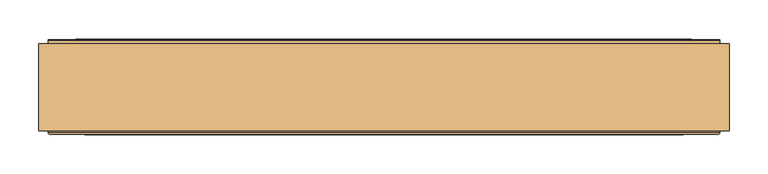
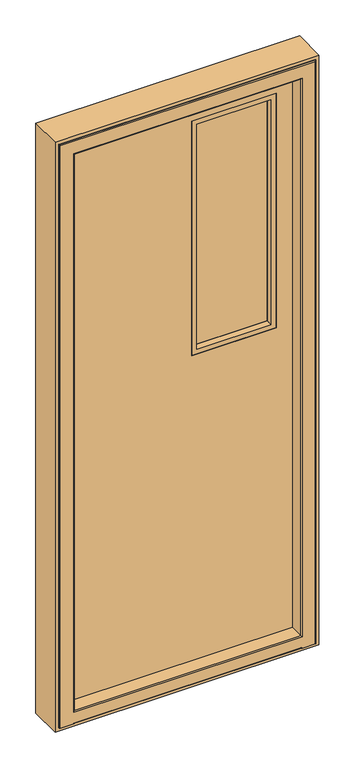
"""IFC4 building model written with IfcOpenShell, lengths in millimetres: door geometry."""

from ifc_helpers import new_model, si_unit, frame, origin, place, context, project, spatial, polyline, circle_curve, ellipse_curve, outline, extrude, faceted_brep, source, transform, mapped, element, save
from ifc_brep_helpers import plane_surface, cylinder_surface, revolved_surface, advanced_brep


def door_e9ea1662(model_context):
    return source(origin(), model_context, "Body", "SolidModel", [
        advanced_brep(
        [(-378.3629068, 119.0, 60.6370932), (378.3629068, 119.0, 60.6370932), (378.3629068, 119.0, 2034.3629068), (-378.3629068, 119.0, 2034.3629068), (39.9945356, 119.0, 1980.0054644), (324.0054644, 119.0, 1980.0054644), (324.0054644, 119.0, 1145.9945356), (39.9945356, 119.0, 1145.9945356), (-378.5618051, 119.6559897, 60.4381949), (378.5618051, 119.6559897, 60.4381949), (378.5618051, 119.6559897, 2034.5618051), (-378.5618051, 119.6559897, 2034.5618051), (324.0054644, 141.0, 1980.0054644), (324.0054644, 141.0, 1145.9945356), (39.9945356, 141.0, 1145.9945356), (39.9945356, 141.0, 1980.0054644), (396.2309509, 194.0, 42.7690491), (-396.2309509, 194.0, 42.7690491), (-396.2309509, 194.0, 2052.2309509), (396.2309509, 194.0, 2052.2309509), (57.0, 194.0, 1963.0), (57.0, 194.0, 1163.0), (307.0, 194.0, 1163.0), (307.0, 194.0, 1963.0), (396.2309509, 192.8997284, 42.7690491), (-396.2309509, 192.8997284, 42.7690491), (-396.2309509, 192.8997284, 2052.2309509), (396.2309509, 192.8997284, 2052.2309509), (57.0, 141.0, 1963.0), (57.0, 141.0, 1163.0), (307.0, 141.0, 1163.0), (307.0, 141.0, 1963.0), (-398.2309509, 190.8997284, 40.7690491), (398.2309509, 190.8997284, 40.7690491), (398.2309509, 187.3997284, 40.7690491), (-398.2309509, 187.3997284, 40.7690491), (-398.2309509, 190.8997284, 2054.2309509), (398.2309509, 190.8997284, 2054.2309509), (398.2309509, 187.3997284, 2054.2309509), (404.4668953, 187.3997284, 34.5331047), (-404.4668953, 187.3997284, 34.5331047), (-404.4668953, 187.3997284, 2060.4668953), (404.4668953, 187.3997284, 2060.4668953), (-398.2309509, 187.3997284, 2054.2309509), (-395.502163, 182.7141527, 43.497837), (395.502163, 182.7141527, 43.497837), (392.0, 178.685375, 47.0), (-392.0, 178.685375, 47.0), (-395.502163, 185.8085243, 43.497837), (395.502163, 185.8085243, 43.497837), (-395.502163, 182.7141527, 2051.502163), (-395.502163, 185.8085243, 2051.502163), (-404.4668953, 185.8085243, 34.5331047), (404.4668953, 185.8085243, 34.5331047), (404.4668953, 185.8085243, 2060.4668953), (-404.4668953, 185.8085243, 2060.4668953), (395.502163, 185.8085243, 2051.502163), (395.502163, 182.7141527, 2051.502163), (392.0, 178.685375, 2048.0), (392.0, 135.8997284, 47.0), (-392.0, 135.8997284, 47.0), (-392.0, 178.685375, 2048.0), (392.0, 135.8997284, 2048.0), (-392.0, 135.8997284, 2048.0), (380.5562854, 135.8997284, 58.4437146), (-380.5562854, 135.8997284, 58.4437146), (-380.5562854, 135.8997284, 2036.5562854), (380.5562854, 135.8997284, 2036.5562854)],
        [
            (0, 1),
            (1, 2),
            (2, 3),
            (3, 0),
            (4, 5),
            (5, 6),
            (6, 7),
            (7, 4),
            (8, 9),
            (9, 1, ellipse_curve(frame((376.5767128, 119.8997284, 62.4232872), z_axis=(-0.7071067811865475, 0.0, -0.7071067811865475), x_axis=(-0.7071067811865476, 0.0, 0.7071067811865474)), 2.8284271, 2.0)),
            (0, 8, ellipse_curve(frame((-376.5767128, 119.8997284, 62.4232872), z_axis=(0.7071067811865475, 0.0, -0.7071067811865475), x_axis=(-0.7071067811865476, 0.0, -0.7071067811865474)), 2.8284271, 2.0)),
            (9, 10),
            (10, 2, ellipse_curve(frame((376.5767128, 119.8997284, 2032.5767128), z_axis=(0.7071067811865475, 0.0, -0.7071067811865475), x_axis=(-0.7071067811865474, 0.0, -0.7071067811865476)), 2.8284271, 2.0)),
            (11, 8),
            (3, 11, ellipse_curve(frame((-376.5767128, 119.8997284, 2032.5767128), z_axis=(-0.7071067811865475, 0.0, -0.7071067811865475), x_axis=(-0.7071067811865474, 0.0, 0.7071067811865476)), 2.8284271, 2.0)),
            (12, 13),
            (13, 6),
            (5, 12),
            (13, 14),
            (14, 7),
            (14, 15),
            (15, 4),
            (16, 17),
            (17, 18),
            (18, 19),
            (19, 16),
            (20, 21),
            (21, 22),
            (22, 23),
            (23, 20),
            (24, 25),
            (25, 17),
            (16, 24),
            (25, 26),
            (26, 18),
            (27, 24),
            (19, 27),
            (20, 28),
            (28, 29),
            (29, 21),
            (29, 30),
            (30, 22),
            (30, 31),
            (31, 23),
            (32, 33),
            (33, 34),
            (34, 35),
            (35, 32),
            (32, 25, ellipse_curve(frame((-396.2309509, 190.8997284, 42.7690491), z_axis=(0.7071067811865475, 0.0, -0.7071067811865475), x_axis=(-0.7071067811865476, 0.0, -0.7071067811865474)), 2.8284271, 2.0)),
            (24, 33, ellipse_curve(frame((396.2309509, 190.8997284, 42.7690491), z_axis=(-0.7071067811865475, 0.0, -0.7071067811865475), x_axis=(-0.7071067811865476, 0.0, 0.7071067811865474)), 2.8284271, 2.0)),
            (32, 36),
            (36, 26, ellipse_curve(frame((-396.2309509, 190.8997284, 2052.2309509), z_axis=(-0.7071067811865475, 0.0, -0.7071067811865475), x_axis=(-0.7071067811865474, 0.0, 0.7071067811865476)), 2.8284271, 2.0)),
            (27, 37, ellipse_curve(frame((396.2309509, 190.8997284, 2052.2309509), z_axis=(0.7071067811865475, 0.0, -0.7071067811865475), x_axis=(-0.7071067811865474, 0.0, -0.7071067811865476)), 2.8284271, 2.0)),
            (37, 33),
            (37, 38),
            (38, 34),
            (39, 40),
            (40, 41),
            (41, 42),
            (42, 39),
            (38, 43),
            (43, 35),
            (43, 36),
            (44, 45),
            (45, 46),
            (46, 47),
            (47, 44),
            (44, 48),
            (48, 49),
            (49, 45),
            (44, 50),
            (50, 51),
            (51, 48),
            (52, 53),
            (53, 54),
            (54, 55),
            (55, 52),
            (51, 56),
            (56, 49),
            (56, 57),
            (57, 45),
            (57, 58),
            (58, 46),
            (46, 59),
            (59, 60),
            (60, 47),
            (47, 61),
            (61, 50),
            (58, 62),
            (62, 59),
            (62, 63),
            (63, 60),
            (64, 65),
            (65, 66),
            (66, 67),
            (67, 64),
            (63, 61),
            (8, 65),
            (64, 9),
            (11, 66),
            (67, 10),
            (52, 40),
            (39, 53),
            (55, 41),
            (42, 54),
            (12, 15),
            (28, 31),
            (36, 37),
            (27, 26),
            (50, 57),
            (61, 58),
            (11, 10),
        ],
        [
            plane_surface(frame((-427.0, 119.0, 12.0), z_axis=(0.0, -1.0, 0.0), x_axis=(0.0, 0.0, -1.0))),
            cylinder_surface(frame((427.0, 119.8997284, 62.4232872), z_axis=(-1.0, 0.0, 0.0), x_axis=(0.0, 1.0, 0.0)), 2.0),
            cylinder_surface(frame((376.5767128, 119.8997284, 2083.0), z_axis=(0.0, 0.0, -1.0), x_axis=(0.0, 1.0, 0.0)), 2.0),
            cylinder_surface(frame((-376.5767128, 119.8997284, 12.0), z_axis=(0.0, 0.0, 1.0), x_axis=(0.0, 1.0, 0.0)), 2.0),
            plane_surface(frame((324.0054644, 101.0, 1980.0054644), z_axis=(-1.0, 0.0, 0.0), x_axis=(0.0, 0.0, -1.0))),
            plane_surface(frame((324.0054644, 101.0, 1145.9945356), z_axis=(0.0, 0.0, 1.0), x_axis=(-1.0, 0.0, 0.0))),
            plane_surface(frame((39.9945356, 101.0, 1145.9945356), z_axis=(1.0, 0.0, 0.0), x_axis=(0.0, 0.0, 1.0))),
            plane_surface(frame((-427.0, 194.0, 12.0), z_axis=(0.0, 1.0, 0.0), x_axis=(0.0, 0.0, 1.0))),
            plane_surface(frame((396.2309509, 203.8997284, 42.7690491), z_axis=(0.0, 0.0, -1.0), x_axis=(-1.0, 0.0, 0.0))),
            plane_surface(frame((-396.2309509, 203.8997284, 42.7690491), z_axis=(-1.0, 0.0, 0.0), x_axis=(0.0, 0.0, 1.0))),
            plane_surface(frame((396.2309509, 203.8997284, 2052.2309509), z_axis=(1.0, 0.0, 0.0), x_axis=(0.0, 0.0, -1.0))),
            plane_surface(frame((57.0, 194.0, 1963.0), z_axis=(1.0, 0.0, 0.0), x_axis=(0.0, -1.0, 0.0))),
            plane_surface(frame((57.0, 194.0, 1163.0), z_axis=(0.0, 0.0, 1.0), x_axis=(0.0, -1.0, 0.0))),
            plane_surface(frame((307.0, 194.0, 1163.0), z_axis=(-1.0, 0.0, 0.0), x_axis=(0.0, -1.0, 0.0))),
            plane_surface(frame((398.2309509, 190.8997284, 40.7690491), z_axis=(0.0, 0.0, -1.0), x_axis=(-1.0, 0.0, 0.0))),
            cylinder_surface(frame((427.0, 190.8997284, 42.7690491), z_axis=(-1.0, 0.0, 0.0), x_axis=(0.0, 1.0, 0.0)), 2.0),
            cylinder_surface(frame((-396.2309509, 190.8997284, 12.0), z_axis=(0.0, 0.0, 1.0), x_axis=(0.0, 1.0, 0.0)), 2.0),
            cylinder_surface(frame((396.2309509, 190.8997284, 2083.0), z_axis=(0.0, 0.0, -1.0), x_axis=(0.0, 1.0, 0.0)), 2.0),
            plane_surface(frame((398.2309509, 190.8997284, 2054.2309509), z_axis=(1.0, 0.0, 0.0), x_axis=(0.0, 0.0, -1.0))),
            plane_surface(frame((398.2309509, 187.3997284, 2054.2309509), z_axis=(0.0, 1.0, 0.0), x_axis=(0.0, 0.0, -1.0))),
            plane_surface(frame((-398.2309509, 190.8997284, 40.7690491), z_axis=(-1.0, 0.0, 0.0), x_axis=(0.0, 0.0, 1.0))),
            plane_surface(frame((395.502163, 182.7141527, 43.497837), z_axis=(0.0, -0.6560590289906566, -0.7547095802226422), x_axis=(-1.0, 0.0, 0.0))),
            plane_surface(frame((395.502163, 185.8085243, 43.497837), z_axis=(0.0, 0.0, -1.0), x_axis=(-1.0, 0.0, 0.0))),
            plane_surface(frame((-395.502163, 185.8085243, 43.497837), z_axis=(-1.0, 0.0, 0.0), x_axis=(0.0, 0.0, 1.0))),
            plane_surface(frame((404.4668953, 185.8085243, 2060.4668953), z_axis=(0.0, -1.0, 0.0), x_axis=(0.0, 0.0, -1.0))),
            plane_surface(frame((395.502163, 185.8085243, 2051.502163), z_axis=(1.0, 0.0, 0.0), x_axis=(0.0, 0.0, -1.0))),
            plane_surface(frame((395.502163, 182.7141527, 2051.502163), z_axis=(0.7547095802226401, -0.656059028990659, 0.0), x_axis=(0.0, 0.0, -1.0))),
            plane_surface(frame((392.0, 178.685375, 47.0), z_axis=(0.0, 0.0, -1.0), x_axis=(-1.0, 0.0, 0.0))),
            plane_surface(frame((-395.502163, 182.7141527, 43.497837), z_axis=(-0.7547095802226443, -0.6560590289906542, 0.0), x_axis=(0.0, 0.0, 1.0))),
            plane_surface(frame((392.0, 178.685375, 2048.0), z_axis=(1.0, 0.0, 0.0), x_axis=(0.0, 0.0, -1.0))),
            plane_surface(frame((392.0, 135.8997284, 2048.0), z_axis=(0.0, -1.0, 0.0), x_axis=(0.0, 0.0, -1.0))),
            plane_surface(frame((-392.0, 178.685375, 47.0), z_axis=(-1.0, 0.0, 0.0), x_axis=(0.0, 0.0, 1.0))),
            plane_surface(frame((380.5562854, 135.8997284, 58.4437146), z_axis=(0.0, -0.12186934340509752, -0.9925461516413282), x_axis=(-1.0, 0.0, 0.0))),
            plane_surface(frame((-380.5562854, 135.8997284, 58.4437146), z_axis=(-0.9925461516413286, -0.12186934340509432, 0.0), x_axis=(0.0, 0.0, 1.0))),
            plane_surface(frame((380.5562854, 135.8997284, 2036.5562854), z_axis=(0.9925461516413278, -0.12186934340510071, 0.0), x_axis=(0.0, 0.0, -1.0))),
            plane_surface(frame((404.4668953, 187.3997284, 34.5331047), z_axis=(0.0, 0.0, -1.0), x_axis=(-1.0, 0.0, 0.0))),
            plane_surface(frame((-404.4668953, 187.3997284, 34.5331047), z_axis=(-1.0, 0.0, 0.0), x_axis=(0.0, 0.0, 1.0))),
            plane_surface(frame((404.4668953, 187.3997284, 2060.4668953), z_axis=(1.0, 0.0, 0.0), x_axis=(0.0, 0.0, -1.0))),
            plane_surface(frame((39.9945356, 141.0, 1145.9945356), z_axis=(0.0, -1.0, 0.0), x_axis=(0.0, 0.0, 1.0))),
            cylinder_surface(frame((-427.0, 190.8997284, 2052.2309509), z_axis=(1.0, 0.0, 0.0), x_axis=(0.0, 1.0, 0.0)), 2.0),
            plane_surface(frame((-398.2309509, 190.8997284, 2054.2309509), z_axis=(0.0, 0.0, 1.0), x_axis=(1.0, 0.0, 0.0))),
            plane_surface(frame((-395.502163, 185.8085243, 2051.502163), z_axis=(0.0, 0.0, 1.0), x_axis=(1.0, 0.0, 0.0))),
            plane_surface(frame((-395.502163, 182.7141527, 2051.502163), z_axis=(0.0, -0.6560590289906566, 0.7547095802226422), x_axis=(1.0, 0.0, 0.0))),
            plane_surface(frame((-392.0, 178.685375, 2048.0), z_axis=(0.0, 0.0, 1.0), x_axis=(1.0, 0.0, 0.0))),
            plane_surface(frame((-380.5562854, 135.8997284, 2036.5562854), z_axis=(0.0, -0.12186934340509752, 0.9925461516413282), x_axis=(1.0, 0.0, 0.0))),
            cylinder_surface(frame((-427.0, 119.8997284, 2032.5767128), z_axis=(1.0, 0.0, 0.0), x_axis=(0.0, 1.0, 0.0)), 2.0),
            plane_surface(frame((-396.2309509, 203.8997284, 2052.2309509), z_axis=(0.0, 0.0, 1.0), x_axis=(1.0, 0.0, 0.0))),
            plane_surface(frame((-404.4668953, 187.3997284, 2060.4668953), z_axis=(0.0, 0.0, 1.0), x_axis=(1.0, 0.0, 0.0))),
            plane_surface(frame((307.0, 194.0, 1963.0), z_axis=(0.0, 0.0, -1.0), x_axis=(0.0, -1.0, 0.0))),
            plane_surface(frame((39.9945356, 101.0, 1980.0054644), z_axis=(0.0, 0.0, -1.0), x_axis=(1.0, 0.0, 0.0))),
        ],
        [
            (0, [[1, 2, 3, 4], [5, 6, 7, 8]]),
            (1, [[9, 10, -1, 11]]),
            (2, [[12, 13, -2, -10]]),
            (3, [[14, -11, -4, 15]]),
            (4, [[16, 17, -6, 18]]),
            (5, [[19, 20, -7, -17]]),
            (6, [[21, 22, -8, -20]]),
            (7, [[23, 24, 25, 26], [27, 28, 29, 30]]),
            (8, [[31, 32, -23, 33]]),
            (9, [[34, 35, -24, -32]]),
            (10, [[36, -33, -26, 37]]),
            (11, [[-27, 38, 39, 40]]),
            (12, [[-28, -40, 41, 42]]),
            (13, [[-29, -42, 43, 44]]),
            (14, [[45, 46, 47, 48]]),
            (15, [[-45, 49, -31, 50]]),
            (16, [[-49, 51, 52, -34]]),
            (17, [[-50, -36, 53, 54]]),
            (18, [[-46, -54, 55, 56]]),
            (19, [[57, 58, 59, 60], [-47, -56, 61, 62]]),
            (20, [[-48, -62, 63, -51]]),
            (21, [[64, 65, 66, 67]]),
            (22, [[-64, 68, 69, 70]]),
            (23, [[-68, 71, 72, 73]]),
            (24, [[74, 75, 76, 77], [-69, -73, 78, 79]]),
            (25, [[-70, -79, 80, 81]]),
            (26, [[-65, -81, 82, 83]]),
            (27, [[-66, 84, 85, 86]]),
            (28, [[-67, 87, 88, -71]]),
            (29, [[-84, -83, 89, 90]]),
            (30, [[-85, -90, 91, 92], [93, 94, 95, 96]]),
            (31, [[-86, -92, 97, -87]]),
            (32, [[-9, 98, -93, 99]]),
            (33, [[-98, -14, 100, -94]]),
            (34, [[-99, -96, 101, -12]]),
            (35, [[-74, 102, -57, 103]]),
            (36, [[-102, -77, 104, -58]]),
            (37, [[-103, -60, 105, -75]]),
            (38, [[106, -21, -19, -16], [-39, 107, -43, -41]]),
            (39, [[-52, 108, -53, 109]]),
            (40, [[-63, -61, -55, -108]]),
            (41, [[-72, 110, -80, -78]]),
            (42, [[-88, 111, -82, -110]]),
            (43, [[-97, -91, -89, -111]]),
            (44, [[-100, 112, -101, -95]]),
            (45, [[-112, -15, -3, -13]]),
            (46, [[-109, -37, -25, -35]]),
            (47, [[-104, -76, -105, -59]]),
            (48, [[-30, -44, -107, -38]]),
            (49, [[-106, -18, -5, -22]]),
        ],
    ),
        advanced_brep(
        [(-406.7857488, 191.365608, 30.5880353), (-406.7857488, 194.0, 27.6103969), (-406.7857488, 194.0, 15.0), (-406.7857488, 191.0, 12.0), (-406.7857488, 186.453125, 12.0), (-406.7857488, 186.453125, 31.1912124), (406.7857488, 191.365608, 30.5880353), (406.7857488, 194.0, 27.6103969), (406.7857488, 194.0, 15.0), (406.7857488, 191.0, 12.0), (406.7857488, 186.453125, 12.0), (407.6, 186.453125, 12.0), (407.6, 193.0, 12.0), (408.6, 194.0, 12.0), (431.0, 194.0, 12.0), (432.0, 193.0, 12.0), (432.0, 75.0, 12.0), (429.0, 72.0, 12.0), (385.0, 72.0, 12.0), (382.0, 75.0, 12.0), (-382.0, 75.0, 12.0), (-385.0, 72.0, 12.0), (-429.0, 72.0, 12.0), (-432.0, 75.0, 12.0), (-432.0, 193.0, 12.0), (-431.0, 194.0, 12.0), (-408.6, 194.0, 12.0), (-407.6, 193.0, 12.0), (-407.6, 186.453125, 12.0), (406.7857488, 186.453125, 31.1912124), (406.7857488, 186.453125, 2062.7857488), (-406.7857488, 186.453125, 2062.7857488), (-407.6, 186.453125, 2063.6), (407.6, 186.453125, 2063.6), (-400.1386925, 132.317196, 37.8382687), (400.1386925, 132.317196, 37.8382687), (-400.1386925, 132.317196, 2056.1386925), (-398.6498733, 131.0, 39.3270879), (398.6498733, 131.0, 39.3270879), (400.1386925, 132.317196, 2056.1386925), (407.6, 193.0, 2063.6), (408.6, 194.0, 2064.6), (-408.6, 194.0, 2064.6), (-431.0, 194.0, 2087.0), (431.0, 194.0, 2087.0), (432.0, 193.0, 2088.0), (432.0, 75.0, 2088.0), (429.0, 72.0, 2085.0), (-385.0, 72.0, 15.0), (385.0, 72.0, 15.0), (-429.0, 72.0, 2085.0), (385.0, 72.0, 53.0), (-385.0, 72.0, 53.0), (-385.0, 72.0, 2041.0), (385.0, 72.0, 2041.0), (382.0, 75.0, 2038.0), (382.0, 75.0, 56.0), (-382.0, 75.0, 2038.0), (-382.0, 75.0, 56.0), (-432.0, 75.0, 2088.0), (-432.0, 193.0, 2088.0), (-407.6, 193.0, 2063.6), (382.0, 129.5, 56.0), (-382.0, 129.5, 56.0), (382.0, 129.5, 2038.0), (383.5, 131.0, 54.5), (-383.5, 131.0, 54.5), (-382.0, 129.5, 2038.0), (383.5, 131.0, 2039.5), (-398.6498733, 131.0, 2054.6498733), (398.6498733, 131.0, 2054.6498733), (-383.5, 131.0, 2039.5)],
        [
            (0, 1, circle_curve(frame((-406.7857488, 191.0, 27.6103969), z_axis=(-1.0, 0.0, 0.0), x_axis=(0.0, -1.0, 0.0)), 3.0)),
            (1, 2),
            (2, 3, circle_curve(frame((-406.7857488, 191.0, 15.0), z_axis=(-1.0, 0.0, 0.0), x_axis=(0.0, -1.0, 0.0)), 3.0)),
            (3, 4),
            (4, 5),
            (5, 0),
            (0, 6),
            (6, 7, circle_curve(frame((406.7857488, 191.0, 27.6103969), z_axis=(-1.0, 0.0, 0.0), x_axis=(0.0, -1.0, 0.0)), 3.0)),
            (7, 1),
            (7, 8),
            (8, 2),
            (8, 9, circle_curve(frame((406.7857488, 191.0, 15.0), z_axis=(-1.0, 0.0, 0.0), x_axis=(0.0, -1.0, 0.0)), 3.0)),
            (9, 3),
            (9, 10),
            (10, 11),
            (11, 12),
            (12, 13, circle_curve(frame((408.6, 193.0, 12.0), z_axis=(0.0, 0.0, -1.0), x_axis=(0.0, 1.0, 0.0)), 1.0)),
            (13, 14),
            (14, 15, circle_curve(frame((431.0, 193.0, 12.0), z_axis=(0.0, 0.0, -1.0), x_axis=(0.0, 1.0, 0.0)), 1.0)),
            (15, 16),
            (16, 17, circle_curve(frame((429.0, 75.0, 12.0), z_axis=(0.0, 0.0, -1.0), x_axis=(0.0, 1.0, 0.0)), 3.0)),
            (17, 18),
            (18, 19, circle_curve(frame((385.0, 75.0, 12.0), z_axis=(0.0, 0.0, -1.0), x_axis=(0.0, 1.0, 0.0)), 3.0)),
            (19, 20),
            (20, 21, circle_curve(frame((-385.0, 75.0, 12.0), z_axis=(0.0, 0.0, -1.0), x_axis=(0.0, 1.0, 0.0)), 3.0)),
            (21, 22),
            (22, 23, circle_curve(frame((-429.0, 75.0, 12.0), z_axis=(0.0, 0.0, -1.0), x_axis=(0.0, 1.0, 0.0)), 3.0)),
            (23, 24),
            (24, 25, circle_curve(frame((-431.0, 193.0, 12.0), z_axis=(0.0, 0.0, -1.0), x_axis=(0.0, 1.0, 0.0)), 1.0)),
            (25, 26),
            (26, 27, circle_curve(frame((-408.6, 193.0, 12.0), z_axis=(0.0, 0.0, -1.0), x_axis=(0.0, 1.0, 0.0)), 1.0)),
            (27, 28),
            (28, 4),
            (10, 29),
            (29, 30),
            (30, 31),
            (31, 5),
            (28, 32),
            (32, 33),
            (33, 11),
            (5, 34),
            (34, 35),
            (35, 29),
            (29, 6),
            (31, 36),
            (36, 34),
            (34, 37, ellipse_curve(frame((-398.6498733, 132.5, 39.3270879), z_axis=(-0.7071067811865475, 0.0, 0.7071067811865475), x_axis=(0.7071067811865476, 0.0, 0.7071067811865474)), 2.1213203, 1.5)),
            (37, 38),
            (38, 35, ellipse_curve(frame((398.6498733, 132.5, 39.3270879), z_axis=(0.7071067811865475, 0.0, 0.7071067811865475), x_axis=(0.7071067811865476, 0.0, -0.7071067811865474)), 2.1213203, 1.5)),
            (39, 30),
            (35, 39),
            (33, 40),
            (40, 12),
            (40, 41, ellipse_curve(frame((408.6, 193.0, 2064.6), z_axis=(0.7071067811865475, 0.0, -0.7071067811865475), x_axis=(-0.7071067811865474, 0.0, -0.7071067811865476)), 1.4142136, 1.0)),
            (41, 13),
            (41, 42),
            (42, 26),
            (25, 43),
            (43, 44),
            (44, 14),
            (44, 45, ellipse_curve(frame((431.0, 193.0, 2087.0), z_axis=(0.7071067811865475, 0.0, -0.7071067811865475), x_axis=(-0.7071067811865474, 0.0, -0.7071067811865476)), 1.4142136, 1.0)),
            (45, 15),
            (45, 46),
            (46, 16),
            (46, 47, ellipse_curve(frame((429.0, 75.0, 2085.0), z_axis=(0.7071067811865475, 0.0, -0.7071067811865475), x_axis=(-0.7071067811865474, 0.0, -0.7071067811865476)), 4.2426407, 3.0)),
            (47, 17),
            (48, 49),
            (49, 18),
            (47, 50),
            (50, 22),
            (21, 48),
            (51, 52),
            (52, 53),
            (53, 54),
            (54, 51),
            (49, 19, ellipse_curve(frame((385.0, 75.0, 15.0), z_axis=(0.7071067811865475, 0.0, -0.7071067811865475), x_axis=(-0.7071067811865474, 0.0, -0.7071067811865476)), 4.2426407, 3.0)),
            (54, 55, ellipse_curve(frame((385.0, 75.0, 2041.0), z_axis=(0.7071067811865475, 0.0, -0.7071067811865475), x_axis=(-0.7071067811865474, 0.0, -0.7071067811865476)), 4.2426407, 3.0)),
            (55, 56),
            (56, 51, ellipse_curve(frame((385.0, 75.0, 53.0), z_axis=(0.7071067811865475, 0.0, 0.7071067811865475), x_axis=(0.7071067811865474, 0.0, -0.7071067811865476)), 4.2426407, 3.0)),
            (48, 20, ellipse_curve(frame((-385.0, 75.0, 15.0), z_axis=(0.7071067811865475, 0.0, 0.7071067811865475), x_axis=(-0.7071067811865476, 0.0, 0.7071067811865474)), 4.2426407, 3.0)),
            (57, 53, ellipse_curve(frame((-385.0, 75.0, 2041.0), z_axis=(-0.7071067811865475, 0.0, -0.7071067811865475), x_axis=(-0.7071067811865474, 0.0, 0.7071067811865476)), 4.2426407, 3.0)),
            (52, 58, ellipse_curve(frame((-385.0, 75.0, 53.0), z_axis=(-0.7071067811865475, 0.0, 0.7071067811865475), x_axis=(0.7071067811865474, 0.0, 0.7071067811865476)), 4.2426407, 3.0)),
            (58, 57),
            (50, 59, ellipse_curve(frame((-429.0, 75.0, 2085.0), z_axis=(-0.7071067811865475, 0.0, -0.7071067811865475), x_axis=(-0.7071067811865474, 0.0, 0.7071067811865476)), 4.2426407, 3.0)),
            (59, 23),
            (59, 60),
            (60, 24),
            (60, 43, ellipse_curve(frame((-431.0, 193.0, 2087.0), z_axis=(-0.7071067811865475, 0.0, -0.7071067811865475), x_axis=(-0.7071067811865474, 0.0, 0.7071067811865476)), 1.4142136, 1.0)),
            (42, 61, ellipse_curve(frame((-408.6, 193.0, 2064.6), z_axis=(-0.7071067811865475, 0.0, -0.7071067811865475), x_axis=(-0.7071067811865474, 0.0, 0.7071067811865476)), 1.4142136, 1.0)),
            (61, 27),
            (61, 32),
            (56, 58),
            (56, 62),
            (62, 63),
            (63, 58),
            (55, 64),
            (64, 62),
            (62, 65, ellipse_curve(frame((383.5, 129.5, 54.5), z_axis=(-0.7071067811865475, 0.0, -0.7071067811865475), x_axis=(-0.7071067811865476, 0.0, 0.7071067811865474)), 2.1213203, 1.5)),
            (65, 66),
            (66, 63, ellipse_curve(frame((-383.5, 129.5, 54.5), z_axis=(0.7071067811865475, 0.0, -0.7071067811865475), x_axis=(-0.7071067811865476, 0.0, -0.7071067811865474)), 2.1213203, 1.5)),
            (67, 57),
            (63, 67),
            (64, 68, ellipse_curve(frame((383.5, 129.5, 2039.5), z_axis=(0.7071067811865475, 0.0, -0.7071067811865475), x_axis=(-0.7071067811865474, 0.0, -0.7071067811865476)), 2.1213203, 1.5)),
            (68, 65),
            (69, 70),
            (70, 38),
            (37, 69),
            (68, 71),
            (71, 66),
            (71, 67, ellipse_curve(frame((-383.5, 129.5, 2039.5), z_axis=(-0.7071067811865475, 0.0, -0.7071067811865475), x_axis=(-0.7071067811865474, 0.0, 0.7071067811865476)), 2.1213203, 1.5)),
            (70, 39, ellipse_curve(frame((398.6498733, 132.5, 2054.6498733), z_axis=(-0.7071067811865475, 0.0, 0.7071067811865475), x_axis=(0.7071067811865474, 0.0, 0.7071067811865476)), 2.1213203, 1.5)),
            (36, 69, ellipse_curve(frame((-398.6498733, 132.5, 2054.6498733), z_axis=(0.7071067811865475, 0.0, 0.7071067811865475), x_axis=(0.7071067811865474, 0.0, -0.7071067811865476)), 2.1213203, 1.5)),
            (64, 67),
            (36, 39),
            (61, 40),
            (60, 45),
            (59, 46),
            (57, 55),
        ],
        [
            plane_surface(frame((-406.7857488, 191.365608, 30.5880353), z_axis=(-1.0, 0.0, 0.0), x_axis=(0.0, 0.9925461516412105, -0.12186934340605582))),
            cylinder_surface(frame((406.7857488, 191.0, 27.6103969), z_axis=(-1.0, 0.0, 0.0), x_axis=(0.0, -1.0, 0.0)), 3.0),
            plane_surface(frame((-406.7857488, 194.0, 27.6103969), z_axis=(0.0, 1.0, 5.012718420142825e-12), x_axis=(1.0, 0.0, 0.0))),
            cylinder_surface(frame((406.7857488, 191.0, 15.0), z_axis=(-1.0, 0.0, 0.0), x_axis=(0.0, -1.0, 0.0)), 3.0),
            plane_surface(frame((-406.7857488, 191.0, 12.0), z_axis=(0.0, 0.0, -1.0), x_axis=(1.0, 0.0, 0.0))),
            plane_surface(frame((406.7857488, 186.453125, 12.0), z_axis=(0.0, 1.0, 0.0), x_axis=(0.0, 0.0, 1.0))),
            plane_surface(frame((-406.7857488, 132.317196, 37.8382687), z_axis=(0.0, 0.12186934340605582, 0.9925461516412105), x_axis=(1.0, 0.0, 0.0))),
            plane_surface(frame((406.7857488, 191.365608, 30.5880353), z_axis=(1.0, 0.0, 0.0), x_axis=(0.0, -0.9925461516412105, 0.12186934340605582))),
            plane_surface(frame((-400.1386925, 132.317196, 2056.1386925), z_axis=(0.9925461516413233, 0.12186934340513729, 0.0), x_axis=(0.0, 0.0, -1.0))),
            revolved_surface(polyline([(400.1498732691987, 131.0, 39.3270879), (-400.14987326919874, 131.0, 39.3270879)]), (406.7857488, 132.5, 39.3270879), (1.0, 0.0, 0.0)),
            plane_surface(frame((400.1386925, 132.317196, 12.0), z_axis=(-0.9925461516413233, 0.12186934340513729, 0.0), x_axis=(0.0, 0.0, 1.0))),
            plane_surface(frame((407.6, 186.453125, 12.0), z_axis=(-1.0, 0.0, 0.0), x_axis=(0.0, 0.0, 1.0))),
            cylinder_surface(frame((408.6, 193.0, 12.0), z_axis=(0.0, 0.0, -1.0), x_axis=(0.0, 1.0, 0.0)), 1.0),
            plane_surface(frame((408.6, 194.0, 12.0), z_axis=(0.0, 1.0, 0.0), x_axis=(0.0, 0.0, 1.0))),
            cylinder_surface(frame((431.0, 193.0, 12.0), z_axis=(0.0, 0.0, -1.0), x_axis=(0.0, 1.0, 0.0)), 1.0),
            plane_surface(frame((432.0, 193.0, 12.0), z_axis=(1.0, 0.0, 0.0), x_axis=(0.0, 0.0, 1.0))),
            cylinder_surface(frame((429.0, 75.0, 12.0), z_axis=(0.0, 0.0, -1.0), x_axis=(0.0, 1.0, 0.0)), 3.0),
            plane_surface(frame((-406.7857488, 72.0, 15.0), z_axis=(0.0, -1.0, 1.689530971270424e-12), x_axis=(1.0, 0.0, 0.0))),
            cylinder_surface(frame((385.0, 75.0, 12.0), z_axis=(0.0, 0.0, -1.0), x_axis=(0.0, 1.0, 0.0)), 3.0),
            cylinder_surface(frame((406.7857488, 75.0, 15.0), z_axis=(-1.0, 0.0, 0.0), x_axis=(0.0, -1.0, 0.0)), 3.0),
            cylinder_surface(frame((-385.0, 75.0, 2100.0), z_axis=(0.0, 0.0, 1.0), x_axis=(0.0, 1.0, 0.0)), 3.0),
            cylinder_surface(frame((-429.0, 75.0, 2100.0), z_axis=(0.0, 0.0, 1.0), x_axis=(0.0, 1.0, 0.0)), 3.0),
            plane_surface(frame((-432.0, 193.0, 2088.0), z_axis=(-1.0, 0.0, 0.0), x_axis=(0.0, 0.0, -1.0))),
            cylinder_surface(frame((-431.0, 193.0, 2100.0), z_axis=(0.0, 0.0, 1.0), x_axis=(0.0, 1.0, 0.0)), 1.0),
            cylinder_surface(frame((-408.6, 193.0, 2100.0), z_axis=(0.0, 0.0, 1.0), x_axis=(0.0, 1.0, 0.0)), 1.0),
            plane_surface(frame((-407.6, 186.453125, 2063.6), z_axis=(1.0, 0.0, 0.0), x_axis=(0.0, 0.0, -1.0))),
            cylinder_surface(frame((406.7857488, 75.0, 53.0), z_axis=(-1.0, 0.0, 0.0), x_axis=(0.0, -1.0, 0.0)), 3.0),
            plane_surface(frame((-406.7857488, 75.0, 56.0), z_axis=(0.0, 0.0, 1.0), x_axis=(1.0, 0.0, 0.0))),
            plane_surface(frame((382.0, 75.0, 12.0), z_axis=(-1.0, 0.0, 0.0), x_axis=(0.0, 0.0, 1.0))),
            cylinder_surface(frame((406.7857488, 129.5, 54.5), z_axis=(-1.0, 0.0, 0.0), x_axis=(0.0, -1.0, 0.0)), 1.5),
            plane_surface(frame((-382.0, 75.0, 2038.0), z_axis=(1.0, 0.0, 0.0), x_axis=(0.0, 0.0, -1.0))),
            cylinder_surface(frame((383.5, 129.5, 12.0), z_axis=(0.0, 0.0, -1.0), x_axis=(0.0, 1.0, 0.0)), 1.5),
            plane_surface(frame((-406.7857488, 131.0, 54.5), z_axis=(0.0, 1.0, 0.0), x_axis=(1.0, 0.0, 0.0))),
            cylinder_surface(frame((-383.5, 129.5, 2100.0), z_axis=(0.0, 0.0, 1.0), x_axis=(0.0, 1.0, 0.0)), 1.5),
            revolved_surface(polyline([(398.6498733, 134.0, 2056.1498732691985), (398.6498733, 134.0, 37.827087930801326)]), (398.6498733, 132.5, 12.0), (0.0, 0.0, 1.0)),
            revolved_surface(polyline([(-398.6498733, 134.0, 37.827087930801554), (-398.6498733, 134.0, 2056.1498732691985)]), (-398.6498733, 132.5, 2100.0), (0.0, 0.0, -1.0)),
            cylinder_surface(frame((444.0, 129.5, 2039.5), z_axis=(1.0, 0.0, 0.0), x_axis=(0.0, 1.0, 0.0)), 1.5),
            revolved_surface(polyline([(-400.1498732691988, 134.0, 2054.6498733), (400.1498732691987, 134.0, 2054.6498733)]), (444.0, 132.5, 2054.6498733), (-1.0, 0.0, 0.0)),
            plane_surface(frame((400.1386925, 132.317196, 2056.1386925), z_axis=(0.0, 0.12186934340513729, -0.9925461516413233), x_axis=(-1.0, 0.0, 0.0))),
            plane_surface(frame((407.6, 186.453125, 2063.6), z_axis=(0.0, 0.0, -1.0), x_axis=(-1.0, 0.0, 0.0))),
            cylinder_surface(frame((444.0, 193.0, 2064.6), z_axis=(1.0, 0.0, 0.0), x_axis=(0.0, 1.0, 0.0)), 1.0),
            cylinder_surface(frame((444.0, 193.0, 2087.0), z_axis=(1.0, 0.0, 0.0), x_axis=(0.0, 1.0, 0.0)), 1.0),
            plane_surface(frame((432.0, 193.0, 2088.0), z_axis=(0.0, 0.0, 1.0), x_axis=(-1.0, 0.0, 0.0))),
            cylinder_surface(frame((444.0, 75.0, 2085.0), z_axis=(1.0, 0.0, 0.0), x_axis=(0.0, 1.0, 0.0)), 3.0),
            cylinder_surface(frame((444.0, 75.0, 2041.0), z_axis=(1.0, 0.0, 0.0), x_axis=(0.0, 1.0, 0.0)), 3.0),
            plane_surface(frame((382.0, 75.0, 2038.0), z_axis=(0.0, 0.0, -1.0), x_axis=(-1.0, 0.0, 0.0))),
        ],
        [
            (0, [[1, 2, 3, 4, 5, 6]]),
            (1, [[-1, 7, 8, 9]]),
            (2, [[-2, -9, 10, 11]]),
            (3, [[-3, -11, 12, 13]]),
            (4, [[-13, 14, 15, 16, 17, 18, 19, 20, 21, 22, 23, 24, 25, 26, 27, 28, 29, 30, 31, 32, 33, -4]]),
            (5, [[-15, 34, 35, 36, 37, -5, -33, 38, 39, 40]]),
            (6, [[-7, -6, 41, 42, 43, 44]]),
            (7, [[-12, -10, -8, -44, -34, -14]]),
            (8, [[45, 46, -41, -37]]),
            (9, [[-42, 47, 48, 49]]),
            (10, [[50, -35, -43, 51]]),
            (11, [[-16, -40, 52, 53]]),
            (12, [[-17, -53, 54, 55]]),
            (13, [[-18, -55, 56, 57, -30, 58, 59, 60]]),
            (14, [[-19, -60, 61, 62]]),
            (15, [[-20, -62, 63, 64]]),
            (16, [[-21, -64, 65, 66]]),
            (17, [[67, 68, -22, -66, 69, 70, -26, 71], [72, 73, 74, 75]]),
            (18, [[-23, -68, 76]]),
            (18, [[77, 78, 79, -75]]),
            (19, [[-24, -76, -67, 80]]),
            (20, [[-25, -80, -71]]),
            (20, [[81, -73, 82, 83]]),
            (21, [[84, 85, -27, -70]]),
            (22, [[86, 87, -28, -85]]),
            (23, [[88, -58, -29, -87]]),
            (24, [[89, 90, -31, -57]]),
            (25, [[91, -38, -32, -90]]),
            (26, [[-72, -79, 92, -82]]),
            (27, [[-92, 93, 94, 95]]),
            (28, [[96, 97, -93, -78]]),
            (29, [[-94, 98, 99, 100]]),
            (30, [[101, -83, -95, 102]]),
            (31, [[103, 104, -98, -97]]),
            (32, [[105, 106, -48, 107], [-99, -104, 108, 109]]),
            (33, [[110, -102, -100, -109]]),
            (34, [[-106, 111, -51, -49]]),
            (35, [[112, -107, -47, -46]]),
            (36, [[-103, 113, -110, -108]]),
            (37, [[-111, -105, -112, 114]]),
            (38, [[-114, -45, -36, -50]]),
            (39, [[-52, -39, -91, 115]]),
            (40, [[-115, -89, -56, -54]]),
            (41, [[-61, -59, -88, 116]]),
            (42, [[-116, -86, 117, -63]]),
            (43, [[-117, -84, -69, -65]]),
            (44, [[-77, -74, -81, 118]]),
            (45, [[-113, -96, -118, -101]]),
        ],
    ),
        faceted_brep([(444.0, 77.0, 2100.0), (444.0, 189.0, 2100.0), (-444.0, 189.0, 2100.0), (-444.0, 77.0, 2100.0), (432.0, 189.0, 2088.0), (432.0, 77.0, 2088.0), (-432.0, 77.0, 2088.0), (-432.0, 189.0, 2088.0), (-444.0, 189.0, 0.0), (-444.0, 77.0, 0.0), (-432.0, 77.0, 12.0), (-432.0, 189.0, 12.0), (444.0, 189.0, 0.0), (444.0, 77.0, 0.0), (432.0, 77.0, 12.0), (432.0, 189.0, 12.0), (427.0, 189.0, 12.0), (-427.0, 189.0, 12.0)], [[[0, 1, 2, 3]], [[4, 5, 6, 7]], [[3, 2, 8, 9]], [[7, 6, 10, 11]], [[9, 8, 12, 13]], [[11, 10, 14, 15, 16, 17]], [[1, 0, 13, 12]], [[0, 3, 9, 13], [6, 5, 14, 10]], [[5, 4, 15, 14]], [[2, 1, 12, 8], [4, 7, 11, 17, 16, 15]]]),
        extrude(outline(polyline([(1145.9945356, 39.9945356), (1145.9945356, 324.0054644), (1980.0054644, 324.0054644), (1980.0054644, 39.9945356), (1145.9945356, 39.9945356)]), holes=[polyline([(1963.0, 57.0), (1963.0, 307.0), (1163.0, 307.0), (1163.0, 57.0), (1963.0, 57.0)])]), frame((0.0, 119.0, 0.0), z_axis=(0.0, 1.0, 0.0), x_axis=(0.0, 0.0, 1.0)), (0.0, 0.0, 1.0), 22.0),
        extrude(outline(polyline([(307.0, 141.0), (57.0, 141.0), (57.0, 189.0), (307.0, 189.0), (307.0, 141.0)])), frame((0.0, 0.0, 1163.0), z_axis=(0.0, 0.0, 1.0), x_axis=(1.0, 0.0, 0.0)), (0.0, 0.0, 1.0), 800.0),
        extrude(outline(polyline([(-396.2309509, 192.8997284), (-396.2309509, 194.9996107), (395.502163, 194.9996107), (395.502163, 192.8997284), (-396.2309509, 192.8997284)])), frame((0.0, 0.0, 45.5), z_axis=(0.0, 0.0, 1.0), x_axis=(1.0, 0.0, 0.0)), (0.0, 0.0, 1.0), 120.0016413),
    ])


if __name__ == "__main__":
    model = new_model("IFC4")
    model_context = context("Model", 3, world=origin())
    ifc_project = project(units=[si_unit("LENGTHUNIT", "METRE", prefix="MILLI")], contexts=[model_context])
    site = spatial("IfcSite", under=ifc_project)
    building = spatial("IfcBuilding", under=site)
    placement = place(None, origin())
    door_shape = door_e9ea1662(model_context)
    element("IfcDoor", 1, at=placement, inside=building, context=model_context, shape_type="MappedRepresentation", body=[
        mapped(door_shape, transform((0.0, 0.0, 0.0), x_axis=(1.0, 0.0, 0.0), y_axis=(0.0, 1.0, 0.0), z_axis=(0.0, 0.0, 1.0))),
    ])
    save(model, "model.ifc")
